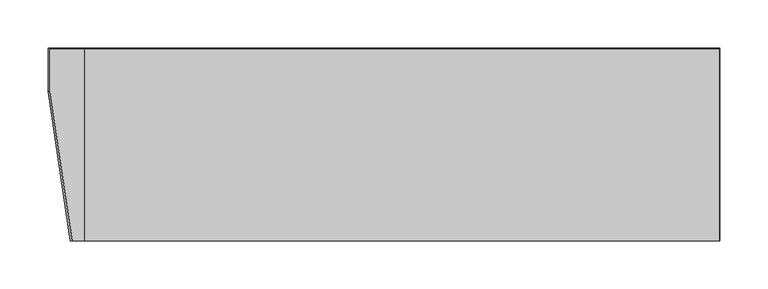
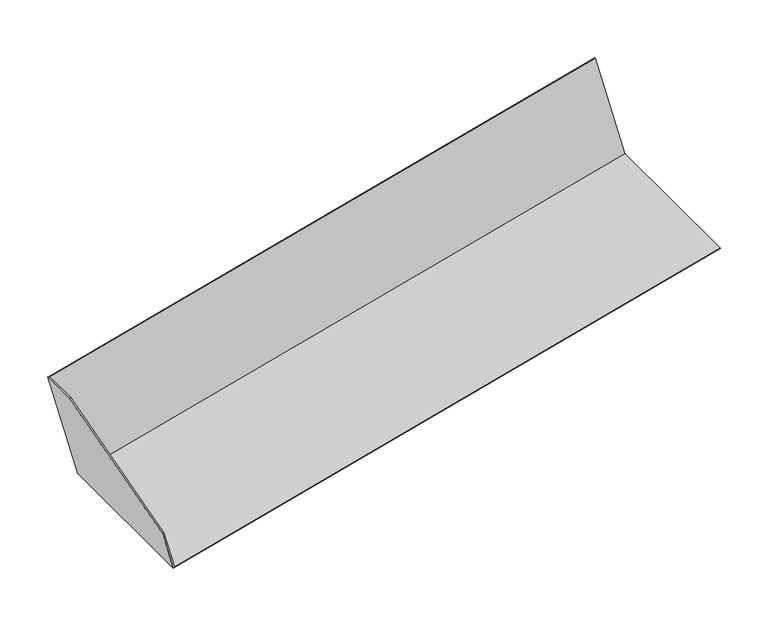
"""IFC4 building model written with IfcOpenShell, lengths in millimetres: proxy geometry."""

from ifc_helpers import new_model, si_unit, frame, origin, place, context, project, spatial, polyline, outline, extrude, source, transform, mapped, element, save


def generic_models_0dbbb0f4(model_context):
    return source(origin(), model_context, "Body", "SweptSolid", [
        extrude(outline(polyline([(0.0, 0.0), (50.6372232, 0.0), (141.0, -155.70776), (141.0, -201.0), (0.0, -201.0), (0.0, 0.0)])), frame((-647.3465874, -278.0, 3225.8066886), z_axis=(0.9659258262890685, 0.0, 0.2588190451025201), x_axis=(-0.2588190451025201, 0.0, 0.9659258262890685)), (0.0, 0.0, 1.0), 1.7645355),
        extrude(outline(polyline([(-192.5, -2.8427895), (7.5, -2.8427895), (7.5, 137.1572105), (8.5, 137.1572105), (8.5, -3.8427895), (-192.5, -3.8427895), (-192.5, -2.8427895)])), frame((-646.636764, -85.5, 3229.9752336), z_axis=(0.9659258262890685, 0.0, 0.2588190451025201), x_axis=(0.0, 1.0, 0.0)), (0.0, 0.0, 1.0), 685.0),
    ])


if __name__ == "__main__":
    model = new_model("IFC4")
    model_context = context("Model", 3, world=origin())
    ifc_project = project(units=[si_unit("LENGTHUNIT", "METRE", prefix="MILLI")], contexts=[model_context])
    site = spatial("IfcSite", under=ifc_project)
    building = spatial("IfcBuilding", under=site)
    placement = place(None, origin())
    generic_models_shape = generic_models_0dbbb0f4(model_context)
    element("IfcBuildingElementProxy", 1, Name="Generic Models", at=placement, inside=building, context=model_context, shape_type="MappedRepresentation", body=[
        mapped(generic_models_shape, transform((0.0, 0.0, 0.0), x_axis=(1.0, 0.0, 0.0), y_axis=(0.0, 1.0, 0.0), z_axis=(0.0, 0.0, 1.0))),
    ])
    save(model, "model.ifc")
